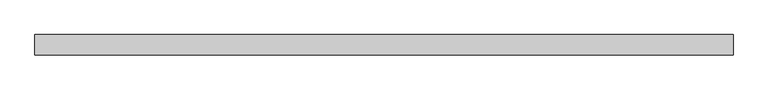
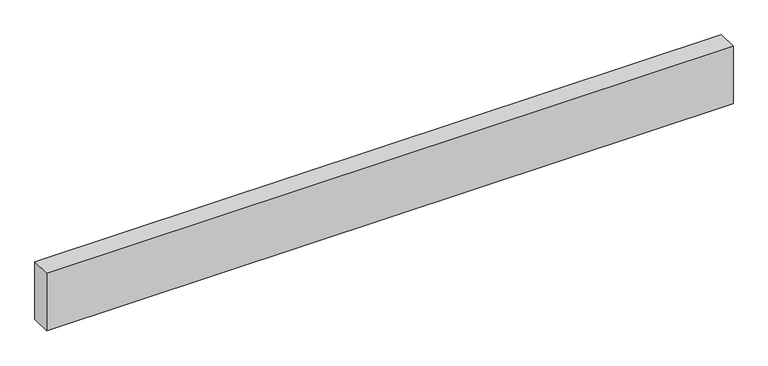
"""IFC4 building model written with IfcOpenShell, lengths in millimetres: proxy geometry."""

from ifc_helpers import new_model, si_unit, origin, origin_with_axes, place, context, project, spatial, polyline, outline, extrude, source, transform, mapped, element, save


def generic_models_3bcea73a(model_context):
    return source(origin(), model_context, "Body", "SweptSolid", [
        extrude(outline(polyline([(3398.9017026, 0.0), (3398.9017026, -100.0), (0.0, -100.0), (0.0, 0.0), (3398.9017026, 0.0)])), origin_with_axes(), (0.0, 0.0, 1.0), 300.0),
    ])


if __name__ == "__main__":
    model = new_model("IFC4")
    model_context = context("Model", 3, world=origin())
    ifc_project = project(units=[si_unit("LENGTHUNIT", "METRE", prefix="MILLI")], contexts=[model_context])
    site = spatial("IfcSite", under=ifc_project)
    building = spatial("IfcBuilding", under=site)
    placement = place(None, origin())
    generic_models_shape = generic_models_3bcea73a(model_context)
    element("IfcBuildingElementProxy", 1, Name="Generic Models", at=placement, inside=building, context=model_context, shape_type="MappedRepresentation", body=[
        mapped(generic_models_shape, transform((0.0, 0.0, 0.0), x_axis=(1.0, 0.0, 0.0), y_axis=(0.0, 1.0, 0.0), z_axis=(0.0, 0.0, 1.0))),
    ])
    save(model, "model.ifc")
